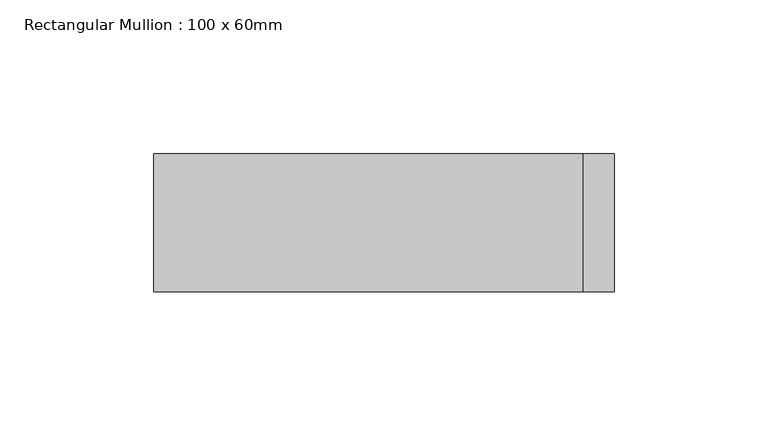
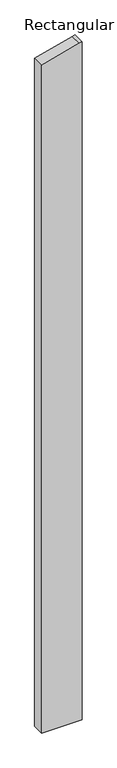
"""IFC4 building model written with IfcOpenShell, lengths in millimetres: member geometry, Rectangular Mullion : 100 x 60mm."""

from ifc_helpers import new_model, si_unit, frame, origin, place, context, project, spatial, polyline, outline, extrude, source, transform, mapped, element, save


def rectangular_mullion_100_x_60mm_bec81ea4(model_context):
    return source(origin(), model_context, "Body", "SweptSolid", [
        extrude(outline(polyline([(-238.7228557, 75.0), (-241.4814566, 64.7047613), (-278.9152345, -75.0), (-2904.8346151, -75.0), (-2904.8346151, 75.0), (-238.7228557, 75.0)])), frame((0.0, -15.0, 0.0), z_axis=(0.0, 1.0, 0.0), x_axis=(0.0, 0.0, 1.0)), (0.0, 0.0, 1.0), 45.0),
    ])


if __name__ == "__main__":
    model = new_model("IFC4")
    model_context = context("Model", 3, world=origin())
    ifc_project = project(units=[si_unit("LENGTHUNIT", "METRE", prefix="MILLI")], contexts=[model_context])
    site = spatial("IfcSite", under=ifc_project)
    building = spatial("IfcBuilding", under=site)
    placement = place(None, origin())
    rectangular_mullion_100_x_60mm_shape = rectangular_mullion_100_x_60mm_bec81ea4(model_context)
    element("IfcMember", 1, ObjectType="Rectangular Mullion : 100 x 60mm", at=placement, inside=building, context=model_context, shape_type="MappedRepresentation", body=[
        mapped(rectangular_mullion_100_x_60mm_shape, transform((0.0, 0.0, 0.0), x_axis=(1.0, 0.0, 0.0), y_axis=(0.0, 1.0, 0.0), z_axis=(0.0, 0.0, 1.0))),
    ])
    save(model, "model.ifc")
